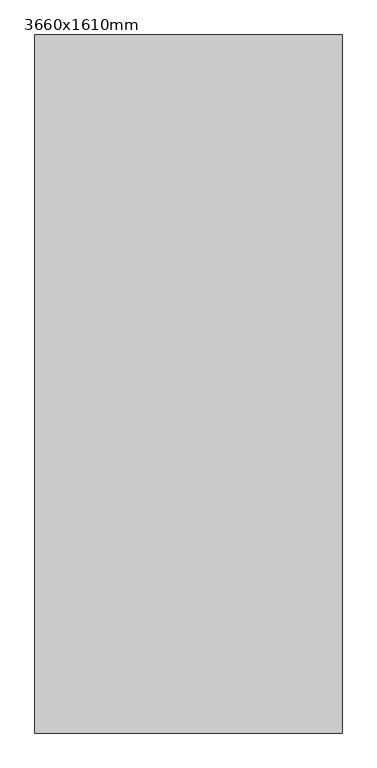
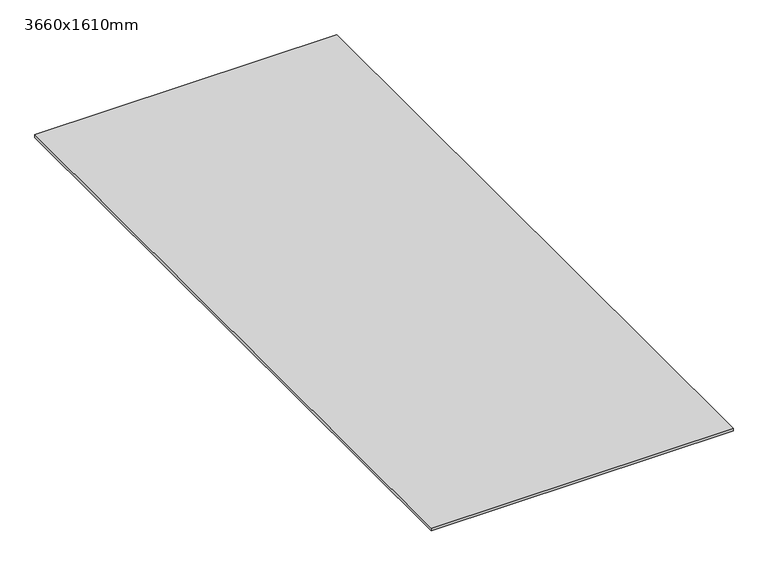
"""IFC4 building model written with IfcOpenShell, lengths in millimetres: furniture geometry, 3660x1610mm."""

from ifc_helpers import new_model, si_unit, origin, origin_with_axes, place, context, project, spatial, polyline, outline, extrude, source, transform, mapped, element, save


def furniture_3660x1610mm_0563ddec(model_context):
    return source(origin(), model_context, "Body", "SweptSolid", [
        extrude(outline(polyline([(805.0, 1830.0), (805.0, -1830.0), (-805.0, -1830.0), (-805.0, 1830.0), (805.0, 1830.0)])), origin_with_axes(), (0.0, 0.0, 1.0), 16.0),
    ])


if __name__ == "__main__":
    model = new_model("IFC4")
    model_context = context("Model", 3, world=origin())
    ifc_project = project(units=[si_unit("LENGTHUNIT", "METRE", prefix="MILLI")], contexts=[model_context])
    site = spatial("IfcSite", under=ifc_project)
    building = spatial("IfcBuilding", under=site)
    placement = place(None, origin())
    furniture_3660x1610mm_shape = furniture_3660x1610mm_0563ddec(model_context)
    element("IfcFurniture", 1, ObjectType="3660x1610mm", at=placement, inside=building, context=model_context, shape_type="MappedRepresentation", body=[
        mapped(furniture_3660x1610mm_shape, transform((0.0, 0.0, 0.0), x_axis=(1.0, 0.0, 0.0), y_axis=(0.0, 1.0, 0.0), z_axis=(0.0, 0.0, 1.0))),
    ])
    save(model, "model.ifc")
